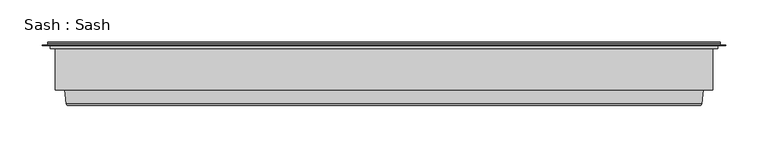
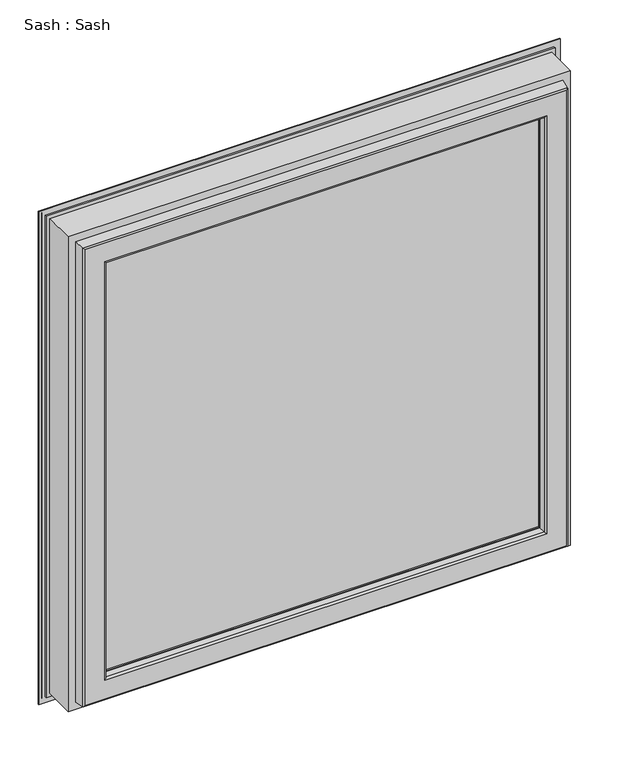
"""IFC4 building model written with IfcOpenShell, lengths in millimetres: proxy geometry, Sash : Sash."""

from ifc_helpers import new_model, si_unit, frame, origin, place, context, project, spatial, polyline, ellipse_curve, outline, extrude, source, transform, mapped, element, save
from ifc_brep_helpers import plane_surface, cylinder_surface, advanced_brep


def sash_sash_32a36677(model_context):
    return source(origin(), model_context, "Body", "SolidModel", [
        extrude(outline(polyline([(782.0, -32.8), (78.0, -32.8), (78.0, 15.2), (782.0, 15.2), (782.0, -32.8)])), frame((0.0, 0.0, 78.0), z_axis=(0.0, 0.0, 1.0), x_axis=(1.0, 0.0, 0.0)), (0.0, 0.0, 1.0), 704.0),
        advanced_brep(
        [(824.5, 22.8058337, 824.5), (824.5, 19.7889886, 824.5), (824.5, 19.7889886, 35.5), (824.5, 22.8058337, 35.5), (827.0, 27.1889902, 827.0), (828.0, 26.1889902, 828.0), (828.0, 26.1889902, 32.0), (827.0, 27.1889902, 33.0), (768.0012615, 15.1889902, 768.0012615), (768.0012615, 16.5489614, 768.0012615), (768.0012615, 16.5489614, 91.9987385), (768.0012615, 15.1889902, 91.9987385), (786.3697055, -32.8, 786.3697055), (792.2620126, 15.1889902, 792.2620126), (792.2620126, 15.1889902, 67.7379874), (786.3697055, -32.8, 73.6302945), (768.0013518, -35.8, 768.0013518), (768.0013518, -32.8, 768.0013518), (768.0013518, -32.8, 91.9986482), (768.0013518, -35.8, 91.9986482), (768.0232044, -37.0079117, 768.0232044), (769.001352, -35.8, 769.001352), (769.001352, -35.8, 90.998648), (768.0232044, -37.0079117, 91.9767956), (769.8120427, -45.4347449, 769.8120427), (769.8120427, -45.4347449, 90.1879573), (772.7464855, -47.8110098, 772.7464855), (772.7464855, -47.8110098, 87.2535145), (805.5618051, -46.0547485, 805.5618051), (803.5767128, -47.8110098, 803.5767128), (803.5767128, -47.8110098, 56.4232872), (805.5618051, -46.0547485, 54.4381949), (807.5562854, -29.8110098, 807.5562854), (807.5562854, -29.8110098, 52.4437146), (819.0, 19.7889886, 819.0), (819.0, -29.8110098, 819.0), (819.0, -29.8110098, 41.0), (819.0, 19.7889886, 41.0), (35.5, 19.7889886, 35.5), (35.5, 22.8058337, 35.5), (32.0, 26.1889902, 32.0), (33.0, 27.1889902, 33.0), (91.9987385, 16.5489614, 91.9987385), (91.9987385, 15.1889902, 91.9987385), (67.7379874, 15.1889902, 67.7379874), (73.6302945, -32.8, 73.6302945), (91.9986482, -32.8, 91.9986482), (91.9986482, -35.8, 91.9986482), (90.998648, -35.8, 90.998648), (91.9767956, -37.0079117, 91.9767956), (90.1879573, -45.4347449, 90.1879573), (87.2535145, -47.8110098, 87.2535145), (56.4232872, -47.8110098, 56.4232872), (54.4381949, -46.0547485, 54.4381949), (52.4437146, -29.8110098, 52.4437146), (41.0, -29.8110098, 41.0), (41.0, 19.7889886, 41.0), (35.5, 19.7889886, 824.5), (35.5, 22.8058337, 824.5), (32.0, 26.1889902, 828.0), (33.0, 27.1889902, 827.0), (91.9987385, 16.5489614, 768.0012615), (91.9987385, 15.1889902, 768.0012615), (67.7379874, 15.1889902, 792.2620126), (73.6302945, -32.8, 786.3697055), (91.9986482, -32.8, 768.0013518), (91.9986482, -35.8, 768.0013518), (90.998648, -35.8, 769.001352), (91.9767956, -37.0079117, 768.0232044), (90.1879573, -45.4347449, 769.8120427), (87.2535145, -47.8110098, 772.7464855), (56.4232872, -47.8110098, 803.5767128), (54.4381949, -46.0547485, 805.5618051), (52.4437146, -29.8110098, 807.5562854), (41.0, -29.8110098, 819.0), (41.0, 19.7889886, 819.0), (834.1997151, 23.875549, 25.8002849), (25.8002849, 23.875549, 25.8002849), (25.8002849, 23.875549, 834.1997151), (834.1997151, 23.875549, 834.1997151), (828.0, 23.875549, 828.0), (32.0, 23.875549, 828.0), (32.0, 23.875549, 32.0), (828.0, 23.875549, 32.0), (834.1997151, 22.8058337, 834.1997151), (834.1997151, 22.8058337, 25.8002849), (25.8002849, 22.8058337, 25.8002849), (25.8002849, 22.8058337, 834.1997151), (770.8249234, 25.7847434, 770.8249234), (772.5279664, 27.1889902, 772.5279664), (772.5279664, 27.1889902, 87.4720336), (770.8249234, 25.7847434, 89.1750766), (87.4720336, 27.1889902, 87.4720336), (89.1750766, 25.7847434, 89.1750766), (87.4720336, 27.1889902, 772.5279664), (89.1750766, 25.7847434, 770.8249234)],
        [
            (0, 1),
            (1, 2),
            (2, 3),
            (3, 0),
            (4, 5, ellipse_curve(frame((827.0, 26.1889902, 827.0), z_axis=(0.7071067811865475, 0.0, -0.7071067811865475), x_axis=(0.7071067811865474, 0.0, 0.7071067811865476)), 1.4142136, 1.0)),
            (5, 6),
            (6, 7, ellipse_curve(frame((827.0, 26.1889902, 33.0), z_axis=(0.7071067811865475, 0.0, 0.7071067811865475), x_axis=(-0.7071067811865474, 0.0, 0.7071067811865476)), 1.4142136, 1.0)),
            (7, 4),
            (8, 9),
            (9, 10),
            (10, 11),
            (11, 8),
            (12, 13),
            (13, 14),
            (14, 15),
            (15, 12),
            (16, 17),
            (17, 18),
            (18, 19),
            (19, 16),
            (20, 21, ellipse_curve(frame((769.001352, -36.8, 769.001352), z_axis=(0.7071067811865475, 0.0, -0.7071067811865475), x_axis=(0.7071067811865474, 0.0, 0.7071067811865476)), 1.4142136, 1.0)),
            (21, 22),
            (22, 23, ellipse_curve(frame((769.001352, -36.8, 90.998648), z_axis=(0.7071067811865475, 0.0, 0.7071067811865475), x_axis=(-0.7071067811865474, 0.0, 0.7071067811865476)), 1.4142136, 1.0)),
            (23, 20),
            (24, 20),
            (23, 25),
            (25, 24),
            (26, 24, ellipse_curve(frame((772.7464855, -44.8110098, 772.7464855), z_axis=(0.7071067811865475, 0.0, -0.7071067811865475), x_axis=(0.7071067811865474, 0.0, 0.7071067811865476)), 4.2426407, 3.0)),
            (25, 27, ellipse_curve(frame((772.7464855, -44.8110098, 87.2535145), z_axis=(0.7071067811865475, 0.0, 0.7071067811865475), x_axis=(-0.7071067811865474, 0.0, 0.7071067811865476)), 4.2426407, 3.0)),
            (27, 26),
            (28, 29, ellipse_curve(frame((803.5767128, -45.8110098, 803.5767128), z_axis=(0.7071067811865475, 0.0, -0.7071067811865475), x_axis=(0.7071067811865474, 0.0, 0.7071067811865476)), 2.8284271, 2.0)),
            (29, 30),
            (30, 31, ellipse_curve(frame((803.5767128, -45.8110098, 56.4232872), z_axis=(0.7071067811865475, 0.0, 0.7071067811865475), x_axis=(-0.7071067811865474, 0.0, 0.7071067811865476)), 2.8284271, 2.0)),
            (31, 28),
            (32, 28),
            (31, 33),
            (33, 32),
            (34, 35),
            (35, 36),
            (36, 37),
            (37, 34),
            (2, 38),
            (38, 39),
            (39, 3),
            (6, 40),
            (40, 41, ellipse_curve(frame((33.0, 26.1889902, 33.0), z_axis=(0.7071067811865475, 0.0, -0.7071067811865475), x_axis=(0.7071067811865476, 0.0, 0.7071067811865474)), 1.4142136, 1.0)),
            (41, 7),
            (10, 42),
            (42, 43),
            (43, 11),
            (14, 44),
            (44, 45),
            (45, 15),
            (18, 46),
            (46, 47),
            (47, 19),
            (22, 48),
            (48, 49, ellipse_curve(frame((90.998648, -36.8, 90.998648), z_axis=(0.7071067811865475, 0.0, -0.7071067811865475), x_axis=(0.7071067811865476, 0.0, 0.7071067811865474)), 1.4142136, 1.0)),
            (49, 23),
            (49, 50),
            (50, 25),
            (50, 51, ellipse_curve(frame((87.2535145, -44.8110098, 87.2535145), z_axis=(0.7071067811865475, 0.0, -0.7071067811865475), x_axis=(0.7071067811865476, 0.0, 0.7071067811865474)), 4.2426407, 3.0)),
            (51, 27),
            (30, 52),
            (52, 53, ellipse_curve(frame((56.4232872, -45.8110098, 56.4232872), z_axis=(0.7071067811865475, 0.0, -0.7071067811865475), x_axis=(0.7071067811865476, 0.0, 0.7071067811865474)), 2.8284271, 2.0)),
            (53, 31),
            (53, 54),
            (54, 33),
            (36, 55),
            (55, 56),
            (56, 37),
            (38, 57),
            (57, 58),
            (58, 39),
            (40, 59),
            (59, 60, ellipse_curve(frame((33.0, 26.1889902, 827.0), z_axis=(-0.7071067811865475, 0.0, -0.7071067811865475), x_axis=(0.7071067811865474, 0.0, -0.7071067811865476)), 1.4142136, 1.0)),
            (60, 41),
            (42, 61),
            (61, 62),
            (62, 43),
            (44, 63),
            (63, 64),
            (64, 45),
            (46, 65),
            (65, 66),
            (66, 47),
            (48, 67),
            (67, 68, ellipse_curve(frame((90.998648, -36.8, 769.001352), z_axis=(-0.7071067811865475, 0.0, -0.7071067811865475), x_axis=(0.7071067811865474, 0.0, -0.7071067811865476)), 1.4142136, 1.0)),
            (68, 49),
            (68, 69),
            (69, 50),
            (69, 70, ellipse_curve(frame((87.2535145, -44.8110098, 772.7464855), z_axis=(-0.7071067811865475, 0.0, -0.7071067811865475), x_axis=(0.7071067811865474, 0.0, -0.7071067811865476)), 4.2426407, 3.0)),
            (70, 51),
            (52, 71),
            (71, 72, ellipse_curve(frame((56.4232872, -45.8110098, 803.5767128), z_axis=(-0.7071067811865475, 0.0, -0.7071067811865475), x_axis=(0.7071067811865474, 0.0, -0.7071067811865476)), 2.8284271, 2.0)),
            (72, 53),
            (72, 73),
            (73, 54),
            (55, 74),
            (74, 75),
            (75, 56),
            (1, 57),
            (75, 34),
            (0, 58),
            (76, 77),
            (77, 78),
            (78, 79),
            (79, 76),
            (80, 81),
            (81, 82),
            (82, 83),
            (83, 80),
            (59, 5),
            (4, 60),
            (61, 9),
            (8, 62),
            (13, 63),
            (12, 64),
            (17, 65),
            (16, 66),
            (21, 67),
            (20, 68),
            (24, 69),
            (26, 70),
            (29, 71),
            (28, 72),
            (32, 73),
            (35, 74),
            (79, 84),
            (84, 85),
            (85, 76),
            (5, 80),
            (83, 6),
            (85, 86),
            (86, 77),
            (82, 40),
            (86, 87),
            (87, 78),
            (81, 59),
            (84, 87),
            (88, 89, ellipse_curve(frame((772.7375329, 25.2, 772.7375329), z_axis=(0.7071067811865475, 0.0, -0.7071067811865475), x_axis=(0.7071067811865474, 0.0, 0.7071067811865476)), 2.8284271, 2.0)),
            (89, 90),
            (90, 91, ellipse_curve(frame((772.7375329, 25.2, 87.2624671), z_axis=(0.7071067811865475, 0.0, 0.7071067811865475), x_axis=(-0.7071067811865474, 0.0, 0.7071067811865476)), 2.8284271, 2.0)),
            (91, 88),
            (9, 88),
            (91, 10),
            (90, 92),
            (92, 93, ellipse_curve(frame((87.2624671, 25.2, 87.2624671), z_axis=(0.7071067811865475, 0.0, -0.7071067811865475), x_axis=(0.7071067811865476, 0.0, 0.7071067811865474)), 2.8284271, 2.0)),
            (93, 91),
            (93, 42),
            (92, 94),
            (94, 95, ellipse_curve(frame((87.2624671, 25.2, 772.7375329), z_axis=(-0.7071067811865475, 0.0, -0.7071067811865475), x_axis=(0.7071067811865474, 0.0, -0.7071067811865476)), 2.8284271, 2.0)),
            (95, 93),
            (95, 61),
            (89, 94),
            (88, 95),
        ],
        [
            plane_surface(frame((824.5, 19.7889886, 824.5), z_axis=(1.0, 0.0, 0.0), x_axis=(0.0, 0.0, -1.0))),
            cylinder_surface(frame((827.0, 26.1889902, 819.0), z_axis=(0.0, 0.0, 1.0), x_axis=(0.0, -1.0, 0.0)), 1.0),
            plane_surface(frame((768.0012615, 16.5489614, 768.0012615), z_axis=(-1.0, 0.0, 0.0), x_axis=(0.0, 0.0, -1.0))),
            plane_surface(frame((792.2620126, 15.1889902, 792.2620126), z_axis=(-0.9925461516413232, 0.12186934340513839, 0.0), x_axis=(0.0, 0.0, -1.0))),
            plane_surface(frame((768.0013518, -32.8, 768.0013518), z_axis=(-1.0, 0.0, 0.0), x_axis=(0.0, 0.0, -1.0))),
            cylinder_surface(frame((769.001352, -36.8, 819.0), z_axis=(0.0, 0.0, 1.0), x_axis=(0.0, -1.0, 0.0)), 1.0),
            plane_surface(frame((768.0232044, -37.0079117, 768.0232044), z_axis=(-0.9782028159557521, -0.207651753800051, 0.0), x_axis=(0.0, 0.0, -1.0))),
            cylinder_surface(frame((772.7464855, -44.8110098, 819.0), z_axis=(0.0, 0.0, 1.0), x_axis=(0.0, -1.0, 0.0)), 3.0),
            cylinder_surface(frame((803.5767128, -45.8110098, 819.0), z_axis=(0.0, 0.0, 1.0), x_axis=(0.0, -1.0, 0.0)), 2.0),
            plane_surface(frame((805.5618051, -46.0547485, 805.5618051), z_axis=(0.9925461516416144, -0.12186934340276663, 0.0), x_axis=(0.0, 0.0, -1.0))),
            plane_surface(frame((819.0, -29.8110098, 819.0), z_axis=(1.0, 0.0, 0.0), x_axis=(0.0, 0.0, -1.0))),
            plane_surface(frame((824.5, 19.7889886, 35.5), z_axis=(0.0, 0.0, -1.0), x_axis=(-1.0, 0.0, 0.0))),
            cylinder_surface(frame((819.0, 26.1889902, 33.0), z_axis=(1.0, 0.0, 0.0), x_axis=(0.0, -1.0, 0.0)), 1.0),
            plane_surface(frame((768.0012615, 16.5489614, 91.9987385), z_axis=(0.0, 0.0, 1.0), x_axis=(-1.0, 0.0, 0.0))),
            plane_surface(frame((792.2620126, 15.1889902, 67.7379874), z_axis=(0.0, 0.12186934340513839, 0.9925461516413232), x_axis=(-1.0, 0.0, 0.0))),
            plane_surface(frame((768.0013518, -32.8, 91.9986482), z_axis=(0.0, 0.0, 1.0), x_axis=(-1.0, 0.0, 0.0))),
            cylinder_surface(frame((819.0, -36.8, 90.998648), z_axis=(1.0, 0.0, 0.0), x_axis=(0.0, -1.0, 0.0)), 1.0),
            plane_surface(frame((768.0232044, -37.0079117, 91.9767956), z_axis=(0.0, -0.207651753800051, 0.9782028159557521), x_axis=(-1.0, 0.0, 0.0))),
            cylinder_surface(frame((819.0, -44.8110098, 87.2535145), z_axis=(1.0, 0.0, 0.0), x_axis=(0.0, -1.0, 0.0)), 3.0),
            cylinder_surface(frame((819.0, -45.8110098, 56.4232872), z_axis=(1.0, 0.0, 0.0), x_axis=(0.0, -1.0, 0.0)), 2.0),
            plane_surface(frame((805.5618051, -46.0547485, 54.4381949), z_axis=(0.0, -0.12186934340276663, -0.9925461516416144), x_axis=(-1.0, 0.0, 0.0))),
            plane_surface(frame((819.0, -29.8110098, 41.0), z_axis=(0.0, 0.0, -1.0), x_axis=(-1.0, 0.0, 0.0))),
            plane_surface(frame((35.5, 19.7889886, 35.5), z_axis=(-1.0, 0.0, 0.0), x_axis=(0.0, 0.0, 1.0))),
            cylinder_surface(frame((33.0, 26.1889902, 41.0), z_axis=(0.0, 0.0, -1.0), x_axis=(0.0, -1.0, 0.0)), 1.0),
            plane_surface(frame((91.9987385, 16.5489614, 91.9987385), z_axis=(1.0, 0.0, 0.0), x_axis=(0.0, 0.0, 1.0))),
            plane_surface(frame((67.7379874, 15.1889902, 67.7379874), z_axis=(0.9925461516413232, 0.12186934340513839, 0.0), x_axis=(0.0, 0.0, 1.0))),
            plane_surface(frame((91.9986482, -32.8, 91.9986482), z_axis=(1.0, 0.0, 0.0), x_axis=(0.0, 0.0, 1.0))),
            cylinder_surface(frame((90.998648, -36.8, 41.0), z_axis=(0.0, 0.0, -1.0), x_axis=(0.0, -1.0, 0.0)), 1.0),
            plane_surface(frame((91.9767956, -37.0079117, 91.9767956), z_axis=(0.9782028159557521, -0.207651753800051, 0.0), x_axis=(0.0, 0.0, 1.0))),
            cylinder_surface(frame((87.2535145, -44.8110098, 41.0), z_axis=(0.0, 0.0, -1.0), x_axis=(0.0, -1.0, 0.0)), 3.0),
            cylinder_surface(frame((56.4232872, -45.8110098, 41.0), z_axis=(0.0, 0.0, -1.0), x_axis=(0.0, -1.0, 0.0)), 2.0),
            plane_surface(frame((54.4381949, -46.0547485, 54.4381949), z_axis=(-0.9925461516416144, -0.12186934340276663, 0.0), x_axis=(0.0, 0.0, 1.0))),
            plane_surface(frame((41.0, -29.8110098, 41.0), z_axis=(-1.0, 0.0, 0.0), x_axis=(0.0, 0.0, 1.0))),
            plane_surface(frame((41.0, 19.7889886, 819.0), z_axis=(0.0, -1.0, 0.0), x_axis=(1.0, 0.0, 0.0))),
            plane_surface(frame((35.5, 19.7889886, 824.5), z_axis=(0.0, 0.0, 1.0), x_axis=(1.0, 0.0, 0.0))),
            plane_surface(frame((25.8002849, 23.875549, 834.1997151), z_axis=(0.0, 1.0, 0.0), x_axis=(1.0, 0.0, 0.0))),
            cylinder_surface(frame((41.0, 26.1889902, 827.0), z_axis=(-1.0, 0.0, 0.0), x_axis=(0.0, -1.0, 0.0)), 1.0),
            plane_surface(frame((91.9987385, 16.5489614, 768.0012615), z_axis=(0.0, 0.0, -1.0), x_axis=(1.0, 0.0, 0.0))),
            plane_surface(frame((91.9987385, 15.1889902, 768.0012615), z_axis=(0.0, -1.0, 0.0), x_axis=(1.0, 0.0, 0.0))),
            plane_surface(frame((67.7379874, 15.1889902, 792.2620126), z_axis=(0.0, 0.12186934340513839, -0.9925461516413232), x_axis=(1.0, 0.0, 0.0))),
            plane_surface(frame((73.6302945, -32.8, 786.3697055), z_axis=(0.0, 1.0, 0.0), x_axis=(1.0, 0.0, 0.0))),
            plane_surface(frame((91.9986482, -32.8, 768.0013518), z_axis=(0.0, 0.0, -1.0), x_axis=(1.0, 0.0, 0.0))),
            plane_surface(frame((91.9986482, -35.8, 768.0013518), z_axis=(0.0, -1.0, 0.0), x_axis=(1.0, 0.0, 0.0))),
            cylinder_surface(frame((41.0, -36.8, 769.001352), z_axis=(-1.0, 0.0, 0.0), x_axis=(0.0, -1.0, 0.0)), 1.0),
            plane_surface(frame((91.9767956, -37.0079117, 768.0232044), z_axis=(0.0, -0.207651753800051, -0.9782028159557521), x_axis=(1.0, 0.0, 0.0))),
            cylinder_surface(frame((41.0, -44.8110098, 772.7464855), z_axis=(-1.0, 0.0, 0.0), x_axis=(0.0, -1.0, 0.0)), 3.0),
            plane_surface(frame((87.2535145, -47.8110098, 772.7464855), z_axis=(0.0, -1.0, 0.0), x_axis=(1.0, 0.0, 0.0))),
            cylinder_surface(frame((41.0, -45.8110098, 803.5767128), z_axis=(-1.0, 0.0, 0.0), x_axis=(0.0, -1.0, 0.0)), 2.0),
            plane_surface(frame((54.4381949, -46.0547485, 805.5618051), z_axis=(0.0, -0.12186934340276663, 0.9925461516416144), x_axis=(1.0, 0.0, 0.0))),
            plane_surface(frame((52.4437146, -29.8110098, 807.5562854), z_axis=(0.0, -1.0, 0.0), x_axis=(1.0, 0.0, 0.0))),
            plane_surface(frame((41.0, -29.8110098, 819.0), z_axis=(0.0, 0.0, 1.0), x_axis=(1.0, 0.0, 0.0))),
            plane_surface(frame((834.1997151, 22.8058337, 834.1997151), z_axis=(1.0, 0.0, 0.0), x_axis=(0.0, 0.0, -1.0))),
            plane_surface(frame((828.0, 23.875549, 828.0), z_axis=(1.0, 0.0, 0.0), x_axis=(0.0, 0.0, -1.0))),
            plane_surface(frame((834.1997151, 22.8058337, 25.8002849), z_axis=(0.0, 0.0, -1.0), x_axis=(-1.0, 0.0, 0.0))),
            plane_surface(frame((828.0, 23.875549, 32.0), z_axis=(0.0, 0.0, -1.0), x_axis=(-1.0, 0.0, 0.0))),
            plane_surface(frame((25.8002849, 22.8058337, 25.8002849), z_axis=(-1.0, 0.0, 0.0), x_axis=(0.0, 0.0, 1.0))),
            plane_surface(frame((32.0, 23.875549, 32.0), z_axis=(-1.0, 0.0, 0.0), x_axis=(0.0, 0.0, 1.0))),
            plane_surface(frame((35.5, 22.8058337, 824.5), z_axis=(0.0, -1.0, 0.0), x_axis=(1.0, 0.0, 0.0))),
            plane_surface(frame((25.8002849, 22.8058337, 834.1997151), z_axis=(0.0, 0.0, 1.0), x_axis=(1.0, 0.0, 0.0))),
            plane_surface(frame((32.0, 23.875549, 828.0), z_axis=(0.0, 0.0, 1.0), x_axis=(1.0, 0.0, 0.0))),
            cylinder_surface(frame((772.7375329, 25.2, 819.0), z_axis=(0.0, 0.0, 1.0), x_axis=(0.0, -1.0, 0.0)), 2.0),
            plane_surface(frame((770.8249234, 25.7847434, 770.8249234), z_axis=(-0.9563047559630321, 0.29237170472274776, 0.0), x_axis=(0.0, 0.0, -1.0))),
            cylinder_surface(frame((819.0, 25.2, 87.2624671), z_axis=(1.0, 0.0, 0.0), x_axis=(0.0, -1.0, 0.0)), 2.0),
            plane_surface(frame((770.8249234, 25.7847434, 89.1750766), z_axis=(0.0, 0.29237170472274776, 0.9563047559630321), x_axis=(-1.0, 0.0, 0.0))),
            cylinder_surface(frame((87.2624671, 25.2, 41.0), z_axis=(0.0, 0.0, -1.0), x_axis=(0.0, -1.0, 0.0)), 2.0),
            plane_surface(frame((89.1750766, 25.7847434, 89.1750766), z_axis=(0.9563047559630321, 0.29237170472274776, 0.0), x_axis=(0.0, 0.0, 1.0))),
            plane_surface(frame((33.0, 27.1889902, 827.0), z_axis=(0.0, 1.0, 0.0), x_axis=(1.0, 0.0, 0.0))),
            cylinder_surface(frame((41.0, 25.2, 772.7375329), z_axis=(-1.0, 0.0, 0.0), x_axis=(0.0, -1.0, 0.0)), 2.0),
            plane_surface(frame((89.1750766, 25.7847434, 770.8249234), z_axis=(0.0, 0.29237170472274776, -0.9563047559630321), x_axis=(1.0, 0.0, 0.0))),
        ],
        [
            (0, [[1, 2, 3, 4]]),
            (1, [[5, 6, 7, 8]]),
            (2, [[9, 10, 11, 12]]),
            (3, [[13, 14, 15, 16]]),
            (4, [[17, 18, 19, 20]]),
            (5, [[21, 22, 23, 24]]),
            (6, [[25, -24, 26, 27]]),
            (7, [[28, -27, 29, 30]]),
            (8, [[31, 32, 33, 34]]),
            (9, [[35, -34, 36, 37]]),
            (10, [[38, 39, 40, 41]]),
            (11, [[-3, 42, 43, 44]]),
            (12, [[-7, 45, 46, 47]]),
            (13, [[-11, 48, 49, 50]]),
            (14, [[-15, 51, 52, 53]]),
            (15, [[-19, 54, 55, 56]]),
            (16, [[-23, 57, 58, 59]]),
            (17, [[-26, -59, 60, 61]]),
            (18, [[-29, -61, 62, 63]]),
            (19, [[-33, 64, 65, 66]]),
            (20, [[-36, -66, 67, 68]]),
            (21, [[-40, 69, 70, 71]]),
            (22, [[-43, 72, 73, 74]]),
            (23, [[-46, 75, 76, 77]]),
            (24, [[-49, 78, 79, 80]]),
            (25, [[-52, 81, 82, 83]]),
            (26, [[-55, 84, 85, 86]]),
            (27, [[-58, 87, 88, 89]]),
            (28, [[-60, -89, 90, 91]]),
            (29, [[-62, -91, 92, 93]]),
            (30, [[-65, 94, 95, 96]]),
            (31, [[-67, -96, 97, 98]]),
            (32, [[-70, 99, 100, 101]]),
            (33, [[102, -72, -42, -2], [-71, -101, 103, -41]]),
            (34, [[-73, -102, -1, 104]]),
            (35, [[105, 106, 107, 108], [109, 110, 111, 112]]),
            (36, [[-76, 113, -5, 114]]),
            (37, [[-79, 115, -9, 116]]),
            (38, [[117, -81, -51, -14], [-50, -80, -116, -12]]),
            (39, [[-82, -117, -13, 118]]),
            (40, [[-53, -83, -118, -16], [119, -84, -54, -18]]),
            (41, [[-85, -119, -17, 120]]),
            (42, [[121, -87, -57, -22], [-56, -86, -120, -20]]),
            (43, [[-88, -121, -21, 122]]),
            (44, [[-90, -122, -25, 123]]),
            (45, [[-92, -123, -28, 124]]),
            (46, [[125, -94, -64, -32], [-63, -93, -124, -30]]),
            (47, [[-95, -125, -31, 126]]),
            (48, [[-97, -126, -35, 127]]),
            (49, [[128, -99, -69, -39], [-68, -98, -127, -37]]),
            (50, [[-100, -128, -38, -103]]),
            (51, [[129, 130, 131, -108]]),
            (52, [[132, -112, 133, -6]]),
            (53, [[-131, 134, 135, -105]]),
            (54, [[-133, -111, 136, -45]]),
            (55, [[-135, 137, 138, -106]]),
            (56, [[-136, -110, 139, -75]]),
            (57, [[140, -137, -134, -130], [-44, -74, -104, -4]]),
            (58, [[-138, -140, -129, -107]]),
            (59, [[-139, -109, -132, -113]]),
            (60, [[141, 142, 143, 144]]),
            (61, [[145, -144, 146, -10]]),
            (62, [[-143, 147, 148, 149]]),
            (63, [[-146, -149, 150, -48]]),
            (64, [[-148, 151, 152, 153]]),
            (65, [[-150, -153, 154, -78]]),
            (66, [[-47, -77, -114, -8], [155, -151, -147, -142]]),
            (67, [[-152, -155, -141, 156]]),
            (68, [[-154, -156, -145, -115]]),
        ],
    ),
    ])


if __name__ == "__main__":
    model = new_model("IFC4")
    model_context = context("Model", 3, world=origin())
    ifc_project = project(units=[si_unit("LENGTHUNIT", "METRE", prefix="MILLI")], contexts=[model_context])
    site = spatial("IfcSite", under=ifc_project)
    building = spatial("IfcBuilding", under=site)
    placement = place(None, origin())
    sash_sash_shape = sash_sash_32a36677(model_context)
    element("IfcBuildingElementProxy", 1, Name="Sash : Sash", ObjectType="Sash : Sash", at=placement, inside=building, context=model_context, shape_type="MappedRepresentation", body=[
        mapped(sash_sash_shape, transform((0.0, 0.0, 0.0), x_axis=(1.0, 0.0, 0.0), y_axis=(0.0, 1.0, 0.0), z_axis=(0.0, 0.0, 1.0))),
    ])
    save(model, "model.ifc")
